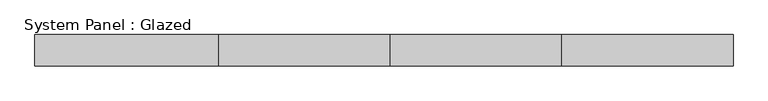
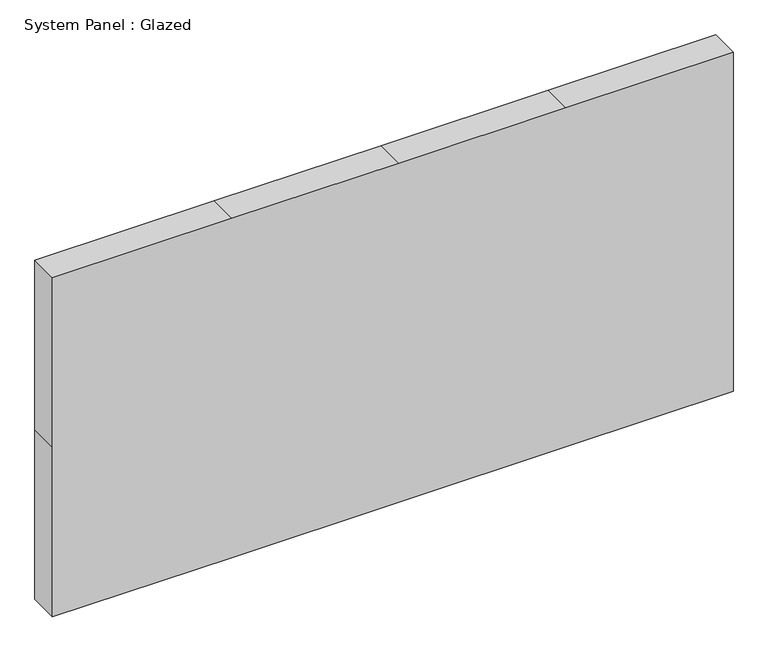
"""IFC4 building model written with IfcOpenShell, lengths in millimetres: plate geometry, System Panel : Glazed."""

from ifc_helpers import new_model, si_unit, frame, origin, place, context, project, spatial, polyline, outline, extrude, source, transform, mapped, element, save


def system_panel_glazed_4751a249(model_context):
    return source(origin(), model_context, "Body", "SweptSolid", [
        extrude(outline(polyline([(0.0, -1120.0), (0.0, -530.0), (0.0, 20.0), (0.0, 570.0), (0.0, 1120.0), (590.0, 1120.0), (1180.0, 1120.0), (1180.0, 570.0), (1180.0, 20.0), (1180.0, -530.0), (1180.0, -1120.0), (590.0, -1120.0), (0.0, -1120.0)])), frame((0.0, 50.0, 0.0), z_axis=(0.0, 1.0, 0.0), x_axis=(0.0, 0.0, 1.0)), (0.0, 0.0, 1.0), 100.0),
    ])


if __name__ == "__main__":
    model = new_model("IFC4")
    model_context = context("Model", 3, world=origin())
    ifc_project = project(units=[si_unit("LENGTHUNIT", "METRE", prefix="MILLI")], contexts=[model_context])
    site = spatial("IfcSite", under=ifc_project)
    building = spatial("IfcBuilding", under=site)
    placement = place(None, origin())
    system_panel_glazed_shape = system_panel_glazed_4751a249(model_context)
    element("IfcPlate", 1, ObjectType="System Panel : Glazed", at=placement, inside=building, context=model_context, shape_type="MappedRepresentation", body=[
        mapped(system_panel_glazed_shape, transform((0.0, 0.0, 0.0), x_axis=(1.0, 0.0, 0.0), y_axis=(0.0, 1.0, 0.0), z_axis=(0.0, 0.0, 1.0))),
    ])
    save(model, "model.ifc")
